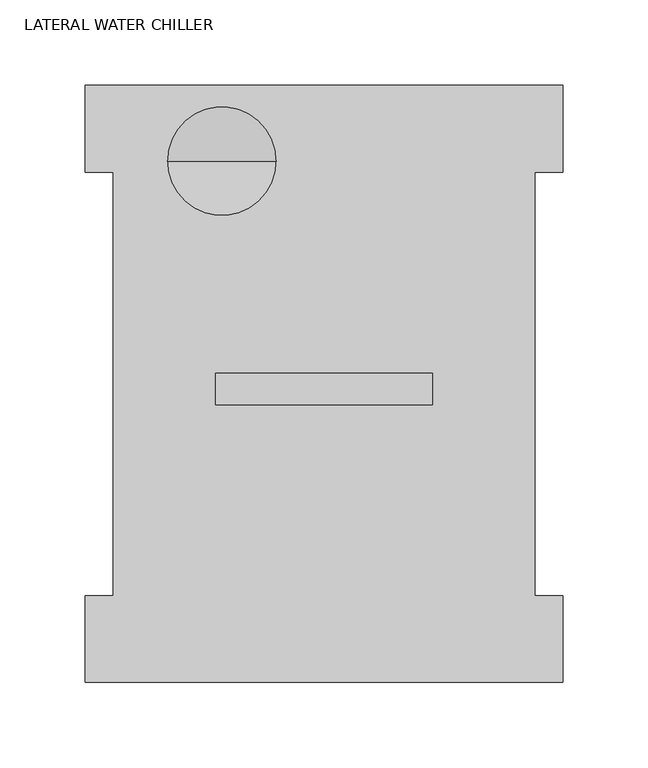
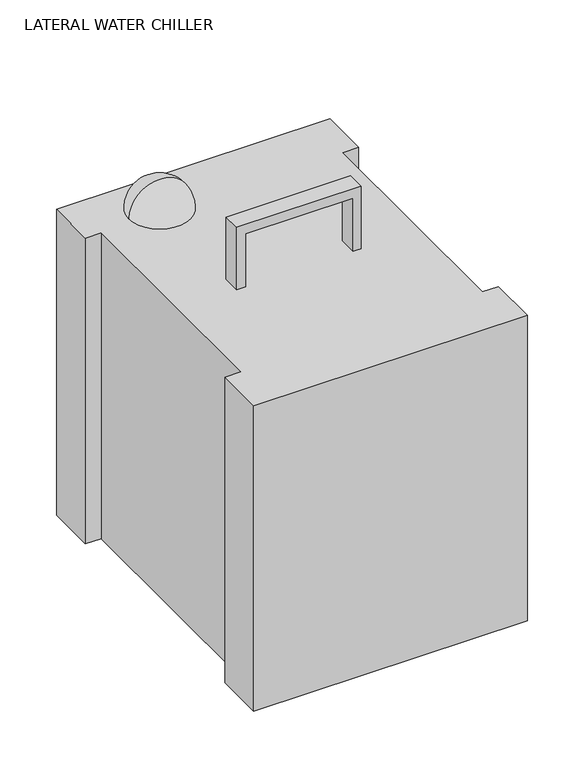
"""IFC4 building model written with IfcOpenShell, lengths in millimetres: proxy geometry, LATERAL WATER CHILLER."""

from ifc_helpers import new_model, si_unit, point, frame, origin, place, context, project, spatial, polyline, circle_curve, ellipse_curve, trimmed, outline, extrude, source, transform, mapped, element, save
from ifc_brep_helpers import plane_surface, revolved_surface, advanced_brep


def lateral_water_chiller_6be423ad(model_context):
    return source(origin(), model_context, "Body", "SolidModel", [
        advanced_brep(
        [(-83.3751545, 237.7226137, 1529.0546), (-115.1251545, 237.7226137, 1529.0546), (-51.6251545, 237.7226137, 1529.0546), (-83.3751545, 237.7226137, 1560.8046)],
        [
            (0, 1),
            (1, 2, circle_curve(frame((-83.3751545, 237.7226137, 1529.0546), z_axis=(0.0, 0.0, -1.0), x_axis=(-1.0, 0.0, 0.0)), 31.75)),
            (2, 0),
            (2, 1, circle_curve(frame((-83.3751545, 237.7226137, 1529.0546), z_axis=(0.0, 0.0, -1.0), x_axis=(-1.0, 0.0, 0.0)), 31.75)),
            (1, 3, circle_curve(frame((-83.3751545, 237.7226137, 1529.0546), z_axis=(0.0, 1.0, 0.0), x_axis=(1.0, 0.0, 0.0)), 31.75)),
            (3, 2, circle_curve(frame((-83.3751545, 237.7226137, 1529.0546), z_axis=(0.0, 1.0, 0.0), x_axis=(-1.0, 0.0, 0.0)), 31.75)),
        ],
        [
            plane_surface(frame((-83.3751545, 237.7226137, 1529.0546), z_axis=(0.0, 0.0, -1.0), x_axis=(-1.0, 0.0, 0.0))),
            revolved_surface(trimmed(ellipse_curve(frame((-83.3751545, 237.7226137, 1529.0546), z_axis=(0.0, -1.0, 0.0), x_axis=(1.0, 0.0, 0.0)), 31.75, 31.75), [point((-83.3751545, 237.7226137, 1560.8046))], [point((-115.1251545, 237.7226137, 1529.0546))], True, "CARTESIAN"), (-83.3751545, 237.7226137, 1529.0546), (0.0, 0.0, -1.0)),
        ],
        [
            (0, [[1, 2, 3]]),
            (0, [[-3, 4, -1]]),
            (1, [[-2, 5, 6]]),
            (1, [[-4, -6, -5]]),
        ],
    ),
        extrude(outline(polyline([(1586.2046, -77.6637671), (1586.2046, 31.75), (1529.0546, 31.75), (1529.0546, 39.9427047), (1596.3646, 39.9427047), (1596.3646, -87.0572953), (1529.0546, -87.0572953), (1529.0546, -77.6637671), (1586.2046, -77.6637671)])), frame((0.0, 95.0964236, 0.0), z_axis=(0.0, 1.0, 0.0), x_axis=(0.0, 0.0, 1.0)), (0.0, 0.0, 1.0), 18.3455955),
        extrude(outline(polyline([(116.1427047, 281.94), (116.1427047, 231.14), (99.7631196, 231.14), (99.7631196, -16.51), (116.1427047, -16.51), (116.1427047, -67.31), (-163.2572953, -67.31), (-163.2572953, -16.51), (-146.8777102, -16.51), (-146.8777102, 231.14), (-163.2572953, 231.14), (-163.2572953, 281.94), (116.1427047, 281.94)])), frame((0.0, 0.0, 1198.8546), z_axis=(0.0, 0.0, 1.0), x_axis=(1.0, 0.0, 0.0)), (0.0, 0.0, 1.0), 330.2),
    ])


if __name__ == "__main__":
    model = new_model("IFC4")
    model_context = context("Model", 3, world=origin())
    ifc_project = project(units=[si_unit("LENGTHUNIT", "METRE", prefix="MILLI")], contexts=[model_context])
    site = spatial("IfcSite", under=ifc_project)
    building = spatial("IfcBuilding", under=site)
    placement = place(None, origin())
    lateral_water_chiller_shape = lateral_water_chiller_6be423ad(model_context)
    element("IfcBuildingElementProxy", 1, Name="LATERAL WATER CHILLER", ObjectType="LATERAL WATER CHILLER", at=placement, inside=building, context=model_context, shape_type="MappedRepresentation", body=[
        mapped(lateral_water_chiller_shape, transform((0.0, 0.0, 0.0), x_axis=(1.0, 0.0, 0.0), y_axis=(0.0, 1.0, 0.0), z_axis=(0.0, 0.0, 1.0))),
    ])
    save(model, "model.ifc")
